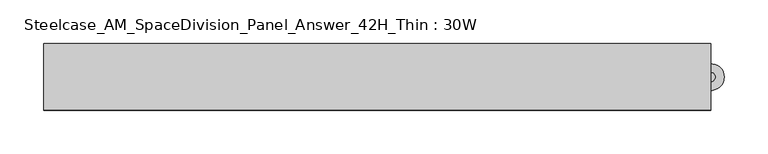
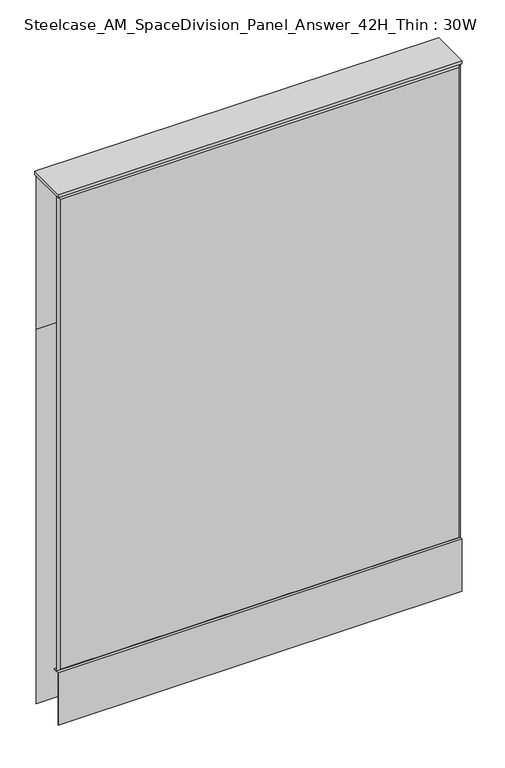
"""IFC4 building model written with IfcOpenShell, lengths in millimetres: furniture geometry, Steelcase_AM_SpaceDivision_Panel_Answer_42H_Thin : 30W."""

from ifc_helpers import new_model, si_unit, point, frame, frame_2d, origin, place, context, project, spatial, polyline, circle_curve, trimmed, segment, composite_curve, outline, extrude, faceted_brep, source, transform, mapped, element, save


def steelcase_am_spacedivision_panel_answer_42h_thin_30w_0aac101b(model_context):
    return source(origin(), model_context, "Body", "SolidModel", [
        extrude(outline(polyline([(-37.3075215, 119.8575157), (-37.3075215, 15.494), (-38.1000194, 15.494), (-38.1000194, 120.65), (-25.4000011, 120.65), (-25.4000011, 119.8575157), (-37.3075215, 119.8575157)])), frame((-381.0, 0.0, 0.0), z_axis=(1.0, 0.0, 0.0), x_axis=(0.0, 1.0, 0.0)), (0.0, 0.0, 1.0), 762.0),
        extrude(outline(composite_curve([segment(trimmed(circle_curve(frame_2d((381.0, -1.94e-05)), 5.08), [point((386.08, -1.94e-05))], [point((375.92, -1.94e-05))], False, "CARTESIAN"), True, "CONTINUOUS"), segment(trimmed(circle_curve(frame_2d((381.0, -1.94e-05)), 5.08), [point((375.92, -1.94e-05))], [point((386.08, -1.94e-05))], False, "CARTESIAN"), True, "CONTINUOUS")], self_intersect=False)), frame((0.0, 0.0, 5.0799671), z_axis=(0.0, 0.0, 1.0), x_axis=(1.0, 0.0, 0.0)), (0.0, 0.0, 1.0), 10.414),
        extrude(outline(composite_curve([segment(trimmed(circle_curve(frame_2d((381.0, -1.94e-05)), 15.24), [point((396.24, -1.94e-05))], [point((365.76, -1.94e-05))], False, "CARTESIAN"), True, "CONTINUOUS"), segment(trimmed(circle_curve(frame_2d((381.0, -1.94e-05)), 15.24), [point((365.76, -1.94e-05))], [point((396.24, -1.94e-05))], False, "CARTESIAN"), True, "CONTINUOUS")], self_intersect=False)), frame((0.0, 0.0, -3.29e-05), z_axis=(0.0, 0.0, 1.0), x_axis=(1.0, 0.0, 0.0)), (0.0, 0.0, 1.0), 5.08),
        faceted_brep([(-376.174, 38.0960541, 1061.974), (376.174, 38.0960541, 1061.974), (376.174, 38.0960541, 766.826), (-376.174, 38.0960541, 766.826), (-381.0, 33.2700541, 1066.8), (-381.0, 33.2700541, 762.0), (381.0, 33.2700541, 762.0), (381.0, 33.2700541, 1066.8)], [[[0, 1, 2, 3]], [[4, 5, 6, 7]], [[4, 7, 1, 0]], [[7, 6, 2, 1]], [[6, 5, 3, 2]], [[5, 4, 0, 3]]]),
        faceted_brep([(-376.174, 38.0960541, 757.174), (376.174, 38.0960541, 757.174), (376.174, 38.0960541, 20.32), (-376.174, 38.0960541, 20.32), (-381.0, 33.2700541, 762.0), (-381.0, 33.2700541, 15.494), (381.0, 33.2700541, 15.494), (381.0, 33.2700541, 762.0)], [[[0, 1, 2, 3]], [[4, 5, 6, 7]], [[4, 7, 1, 0]], [[7, 6, 2, 1]], [[6, 5, 3, 2]], [[5, 4, 0, 3]]]),
        faceted_brep([(381.0, -33.2700541, 1066.8), (381.0, -33.2700541, 120.65), (-381.0, -33.2700541, 120.65), (-381.0, -33.2700541, 1066.8), (-376.174, -38.0960541, 1061.974), (376.174, -38.0960541, 1061.974), (-376.174, -38.0960541, 125.476), (376.174, -38.0960541, 125.476)], [[[0, 1, 2, 3]], [[0, 3, 4, 5]], [[5, 4, 6, 7]], [[3, 2, 6, 4]], [[2, 1, 7, 6]], [[1, 0, 5, 7]]]),
        extrude(outline(polyline([(381.0, 38.1000194), (381.0, -38.1000194), (-381.0, -38.1000194), (-381.0, 38.1000194), (381.0, 38.1000194)])), frame((0.0, 0.0, 1066.8), z_axis=(0.0, 0.0, 1.0), x_axis=(1.0, 0.0, 0.0)), (0.0, 0.0, 1.0), 6.35),
    ])


if __name__ == "__main__":
    model = new_model("IFC4")
    model_context = context("Model", 3, world=origin())
    ifc_project = project(units=[si_unit("LENGTHUNIT", "METRE", prefix="MILLI")], contexts=[model_context])
    site = spatial("IfcSite", under=ifc_project)
    building = spatial("IfcBuilding", under=site)
    placement = place(None, origin())
    steelcase_am_spacedivision_panel_answer_42h_thin_30w_shape = steelcase_am_spacedivision_panel_answer_42h_thin_30w_0aac101b(model_context)
    element("IfcFurniture", 1, ObjectType="Steelcase_AM_SpaceDivision_Panel_Answer_42H_Thin : 30W", at=placement, inside=building, context=model_context, shape_type="MappedRepresentation", body=[
        mapped(steelcase_am_spacedivision_panel_answer_42h_thin_30w_shape, transform((0.0, 0.0, 0.0), x_axis=(1.0, 0.0, 0.0), y_axis=(0.0, 1.0, 0.0), z_axis=(0.0, 0.0, 1.0))),
    ])
    save(model, "model.ifc")
